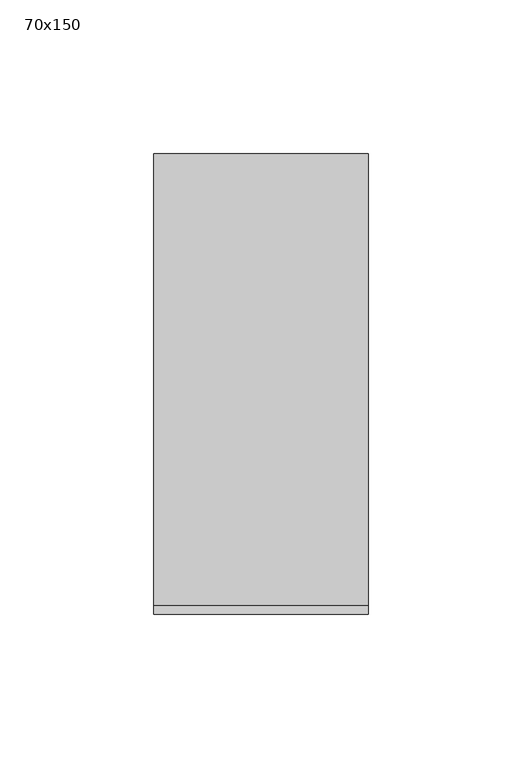
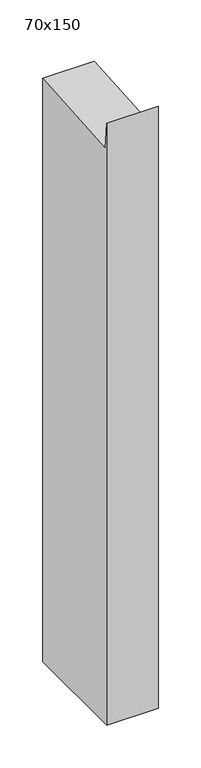
"""IFC4 building model written with IfcOpenShell, lengths in millimetres: member geometry, 70x150."""

from ifc_helpers import new_model, si_unit, frame, origin, place, context, project, spatial, polyline, outline, extrude, source, transform, mapped, element, save


def member_70x150_827824a2(model_context):
    return source(origin(), model_context, "Body", "SweptSolid", [
        extrude(outline(polyline([(-75.0, 32.1328391), (-72.1089919, -5.623802), (75.0, 5.6402638), (75.0, -830.0), (-75.0, -830.0), (-75.0, 32.1328391)])), frame((-70.0, 0.0, 0.0), z_axis=(1.0, 0.0, 0.0), x_axis=(0.0, 1.0, 0.0)), (0.0, 0.0, 1.0), 70.0),
    ])


if __name__ == "__main__":
    model = new_model("IFC4")
    model_context = context("Model", 3, world=origin())
    ifc_project = project(units=[si_unit("LENGTHUNIT", "METRE", prefix="MILLI")], contexts=[model_context])
    site = spatial("IfcSite", under=ifc_project)
    building = spatial("IfcBuilding", under=site)
    placement = place(None, origin())
    member_70x150_shape = member_70x150_827824a2(model_context)
    element("IfcMember", 1, ObjectType="70x150", at=placement, inside=building, context=model_context, shape_type="MappedRepresentation", body=[
        mapped(member_70x150_shape, transform((0.0, 0.0, 0.0), x_axis=(1.0, 0.0, 0.0), y_axis=(0.0, 1.0, 0.0), z_axis=(0.0, 0.0, 1.0))),
    ])
    save(model, "model.ifc")
